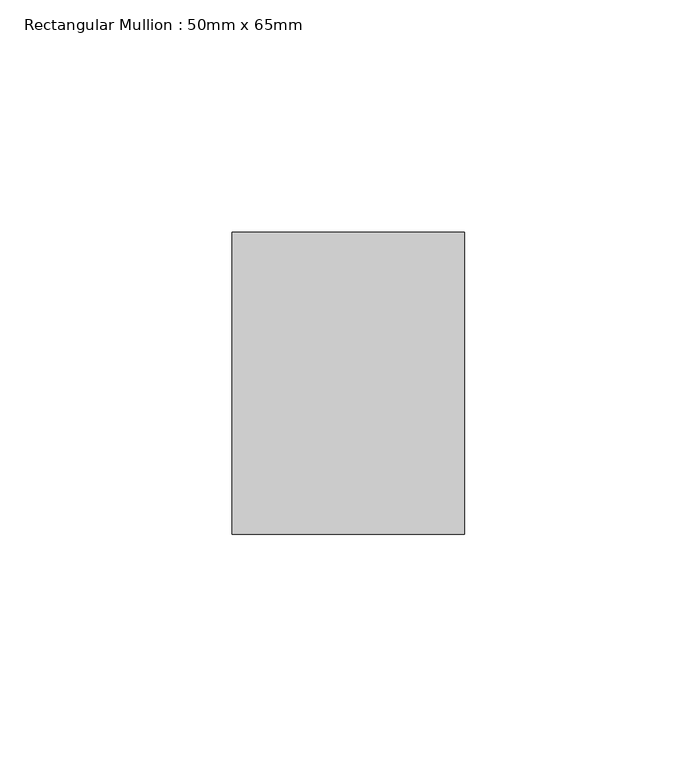
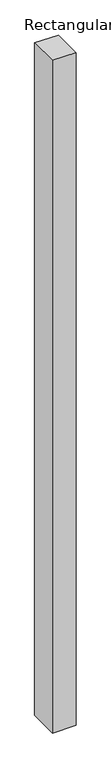
"""IFC4 building model written with IfcOpenShell, lengths in millimetres: member geometry, Rectangular Mullion : 50mm x 65mm."""

import ifcopenshell
import ifcopenshell.guid

model = None  # the IFC model being written
_history = None  # IfcOwnerHistory: only IFC2X3 demands one
_inside = {}  # id of a spatial element -> (the spatial element, [elements in it])
_under = {}  # id of a project, library or spatial element -> (it, [spatial elements below it])
_declared = {}  # id of a project -> (the project, [libraries it declares])
_typed = {}  # id of a type object -> (the type object, [elements of that type])
_made_of = {}  # id of a material, layer set ... -> (it, [elements and type objects made of it])


def new_model(schema):
    """Start an empty IFC model of exactly this schema.

    Asked for "IFC4X3", IfcOpenShell would pick the latest addendum, in which some entities
    have other attributes; the version numbers below select the first issue.
    IFC2X3 requires an IfcOwnerHistory on every rooted entity: one is made here for all.
    """
    global model, _history
    if schema == "IFC4X3":
        model = ifcopenshell.file(schema_version=(4, 3, 0, 0))
    else:
        model = ifcopenshell.file(schema=schema)
    _inside.clear()
    _under.clear()
    _declared.clear()
    _typed.clear()
    _made_of.clear()
    _history = None
    if model.schema == "IFC2X3":
        org = make("IfcOrganization", Name="unknown")
        user = make(
            "IfcPersonAndOrganization",
            ThePerson=make("IfcPerson", FamilyName="unknown"),
            TheOrganization=org,
        )
        app = make(
            "IfcApplication",
            ApplicationDeveloper=org,
            Version="unknown",
            ApplicationFullName="unknown",
            ApplicationIdentifier="unknown",
        )
        _history = make(
            "IfcOwnerHistory",
            OwningUser=user,
            OwningApplication=app,
            ChangeAction="ADDED",
            CreationDate=0,
        )
    return model


def make(cls, **values):
    """One entity of the class cls with the attributes given. An attribute that is None is left unset."""
    return model.create_entity(
        cls, **{name: value for name, value in values.items() if value is not None}
    )


def rooted(cls, **values):
    """An entity with a GlobalId (a new one), such as an element, a storey or a relation."""
    return make(cls, GlobalId=ifcopenshell.guid.new(), OwnerHistory=_history, **values)


def si_unit(unit_type, name, prefix=None):
    """IfcSIUnit, for example si_unit("LENGTHUNIT", "METRE", prefix="MILLI")."""
    return make("IfcSIUnit", UnitType=unit_type, Prefix=prefix, Name=name)


def assignment(units):
    """IfcUnitAssignment: the units of a project."""
    return None if units is None else make("IfcUnitAssignment", Units=units)


def point(xyz):
    """IfcCartesianPoint."""
    return None if xyz is None else make("IfcCartesianPoint", Coordinates=xyz)


def direction(xyz):
    """IfcDirection."""
    return None if xyz is None else make("IfcDirection", DirectionRatios=xyz)


def frame(location, z_axis=None, x_axis=None):
    """IfcAxis2Placement3D, a coordinate frame: its origin and axes. An axis left out is left unset."""
    return make(
        "IfcAxis2Placement3D",
        Location=point(location),
        Axis=direction(z_axis),
        RefDirection=direction(x_axis),
    )


def origin():
    """The frame at (0, 0, 0) with its axes left unset."""
    return frame((0.0, 0.0, 0.0))


def place(relative_to, where):
    """IfcLocalPlacement: puts the frame where relative to a parent placement (None: the world)."""
    return make(
        "IfcLocalPlacement", PlacementRelTo=relative_to, RelativePlacement=where
    )


def context(
    kind, dimensions, precision=None, world=None, true_north=None, identifier=None
):
    """IfcGeometricRepresentationContext, for example the 3D "Model" context."""
    return make(
        "IfcGeometricRepresentationContext",
        ContextIdentifier=identifier,
        ContextType=kind,
        CoordinateSpaceDimension=dimensions,
        Precision=precision,
        WorldCoordinateSystem=world,
        TrueNorth=true_north,
    )


def project(units=None, contexts=None):
    """IfcProject with its units and contexts."""
    return rooted(
        "IfcProject",
        Name="project",
        RepresentationContexts=contexts,
        UnitsInContext=assignment(units),
    )


def spatial(cls, under=None, at=None, **own):
    """A site, building, storey or space (cls), placed at a placement, below another one or the project."""
    s = rooted(cls, ObjectPlacement=at, **own)
    if under is not None:
        _under.setdefault(under.id(), (under, []))[1].append(s)
    return s


def polyline(points):
    """IfcPolyline through the points."""
    return make("IfcPolyline", Points=[point(p) for p in points])


def outline(outer, holes=None, kind="AREA"):
    """IfcArbitraryClosedProfileDef: a profile drawn as a closed curve; with holes, ...WithVoids."""
    if holes is None:
        return make("IfcArbitraryClosedProfileDef", ProfileType=kind, OuterCurve=outer)
    return make(
        "IfcArbitraryProfileDefWithVoids",
        ProfileType=kind,
        OuterCurve=outer,
        InnerCurves=holes,
    )


def extrude(swept, where, along, depth):
    """IfcExtrudedAreaSolid: the profile swept, set in the frame where, extruded along a direction by depth."""
    return make(
        "IfcExtrudedAreaSolid",
        SweptArea=swept,
        Position=where,
        ExtrudedDirection=direction(along),
        Depth=depth,
    )


def shape(context_of_items, identifier, shape_type, items):
    """IfcShapeRepresentation: the items that make up one representation, for example the "Body"."""
    return make(
        "IfcShapeRepresentation",
        ContextOfItems=context_of_items,
        RepresentationIdentifier=identifier,
        RepresentationType=shape_type,
        Items=items,
    )


def source(mapping_origin, context_of_items, identifier, shape_type, items):
    """IfcRepresentationMap: a shape defined once, which mapped items show again and again."""
    return make(
        "IfcRepresentationMap",
        MappingOrigin=mapping_origin,
        MappedRepresentation=shape(context_of_items, identifier, shape_type, items),
    )


def transform(
    local_origin,
    x_axis=None,
    y_axis=None,
    z_axis=None,
    scale=None,
    scale2=None,
    scale3=None,
    uniform=True,
):
    """IfcCartesianTransformationOperator3D, or its non-uniform kind. x_axis, y_axis, z_axis: its Axis1, 2, 3."""
    if uniform:
        return make(
            "IfcCartesianTransformationOperator3D",
            Axis1=direction(x_axis),
            Axis2=direction(y_axis),
            LocalOrigin=point(local_origin),
            Scale=scale,
            Axis3=direction(z_axis),
        )
    return make(
        "IfcCartesianTransformationOperator3DnonUniform",
        Axis1=direction(x_axis),
        Axis2=direction(y_axis),
        LocalOrigin=point(local_origin),
        Scale=scale,
        Axis3=direction(z_axis),
        Scale2=scale2,
        Scale3=scale3,
    )


def mapped(mapping_source, mapping_target):
    """IfcMappedItem: shows the shape of a source again, moved by a transform."""
    return make(
        "IfcMappedItem", MappingSource=mapping_source, MappingTarget=mapping_target
    )


def made_of(thing, what):
    """Note that an element or type object is made of a material, layer set ...; save() writes the relation."""
    if what is not None:
        _made_of.setdefault(what.id(), (what, []))[1].append(thing)
    return thing


def element(
    cls,
    number,
    at=None,
    inside=None,
    cuts=None,
    type_object=None,
    material=None,
    context=None,
    identifier="Body",
    shape_type=None,
    held_by="IfcProductDefinitionShape",
    body=None,
    shapes=None,
    **own,
):
    """One element of the class cls, such as IfcWall. Its Tag is "e" and its number.

    at: its placement. inside: the storey or other place that contains it. cuts: it is an
    opening in that element (IfcRelVoidsElement). A single representation is given by context,
    identifier, shape_type and body (its items); several are given by shapes. held_by: the class
    of the entity that holds the representations. save() writes the other relations.
    """
    e = rooted(cls, Tag="e%d" % number, ObjectPlacement=at, **own)
    if body is not None:
        shapes = [shape(context, identifier, shape_type, body)]
    if shapes is not None:
        e.Representation = make(held_by, Representations=shapes)
    if inside is not None:
        _inside.setdefault(inside.id(), (inside, []))[1].append(e)
    if cuts is not None:
        rooted(
            "IfcRelVoidsElement", RelatingBuildingElement=cuts, RelatedOpeningElement=e
        )
    if type_object is not None:
        _typed.setdefault(type_object.id(), (type_object, []))[1].append(e)
    return made_of(e, material)


def aggregate(whole, parts):
    """IfcRelAggregates: a whole, such as a stair, and the parts it consists of."""
    return rooted("IfcRelAggregates", RelatingObject=whole, RelatedObjects=parts)


def save(model, path):
    """Write the relations noted so far, then the file.

    IfcRelAggregates (storeys below a building ...), IfcRelContainedInSpatialStructure (elements
    in a storey), IfcRelDefinesByType, IfcRelAssociatesMaterial and IfcRelDeclares: one each for
    every whole, place, type object, material and project.
    """
    for whole, parts in _under.values():
        aggregate(whole, parts)
    for where, things in _inside.values():
        rooted(
            "IfcRelContainedInSpatialStructure",
            RelatedElements=things,
            RelatingStructure=where,
        )
    for kind, things in _typed.values():
        rooted("IfcRelDefinesByType", RelatedObjects=things, RelatingType=kind)
    for what, things in _made_of.values():
        rooted("IfcRelAssociatesMaterial", RelatedObjects=things, RelatingMaterial=what)
    for by, libraries in _declared.values():
        rooted("IfcRelDeclares", RelatingContext=by, RelatedDefinitions=libraries)
    model.write(path)


def rectangular_mullion_50mm_x_65mm_704cc6fd(model_context):
    return source(origin(), model_context, "Body", "SweptSolid", [
        extrude(outline(polyline([(-32.5, 0.2027393), (32.5, -0.2027391), (32.5, -1499.8930443), (-32.5, -1500.1077076), (-32.5, 0.2027393)])), frame((-25.0, 0.0, 0.0), z_axis=(1.0, 0.0, 0.0), x_axis=(0.0, 1.0, 0.0)), (0.0, 0.0, 1.0), 50.0),
    ])


if __name__ == "__main__":
    model = new_model("IFC4")
    model_context = context("Model", 3, world=origin())
    ifc_project = project(units=[si_unit("LENGTHUNIT", "METRE", prefix="MILLI")], contexts=[model_context])
    site = spatial("IfcSite", under=ifc_project)
    building = spatial("IfcBuilding", under=site)
    placement = place(None, origin())
    rectangular_mullion_50mm_x_65mm_shape = rectangular_mullion_50mm_x_65mm_704cc6fd(model_context)
    element("IfcMember", 1, ObjectType="Rectangular Mullion : 50mm x 65mm", at=placement, inside=building, context=model_context, shape_type="MappedRepresentation", body=[
        mapped(rectangular_mullion_50mm_x_65mm_shape, transform((0.0, 0.0, 0.0), x_axis=(1.0, 0.0, 0.0), y_axis=(0.0, 1.0, 0.0), z_axis=(0.0, 0.0, 1.0))),
    ])
    save(model, "model.ifc")
